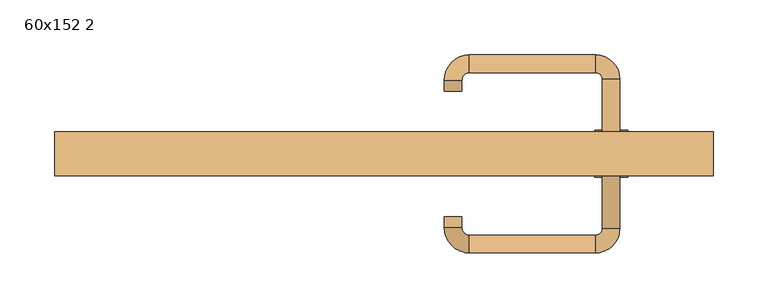
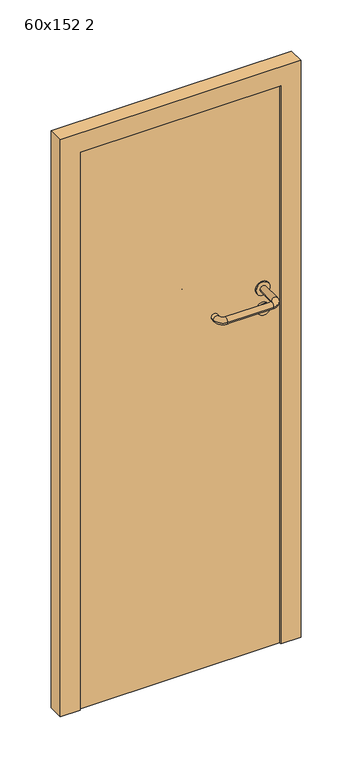
"""IFC4 building model written with IfcOpenShell, lengths in millimetres: door geometry, 60x152 2."""

from ifc_helpers import new_model, si_unit, point, frame, frame_2d, origin, origin_with_axes, place, context, project, spatial, polyline, circle_curve, ellipse_curve, trimmed, segment, composite_curve, outline, extrude, source, transform, mapped, element, save
from ifc_brep_helpers import plane_surface, cylinder_surface, revolved_surface, advanced_brep


def door_60x152_2_7feab1aa(model_context):
    return source(origin(), model_context, "Body", "SolidModel", [
        extrude(outline(composite_curve([segment(trimmed(circle_curve(frame_2d((897.3605726, 207.0)), 15.0), [point((897.3605726, 222.0))], [point((897.3605726, 192.0))], False, "CARTESIAN"), True, "CONTINUOUS"), segment(trimmed(circle_curve(frame_2d((897.3605726, 207.0)), 15.0), [point((897.3605726, 192.0))], [point((897.3605726, 222.0))], False, "CARTESIAN"), True, "CONTINUOUS")], self_intersect=False), holes=[composite_curve([segment(trimmed(circle_curve(frame_2d((892.5833211, 206.9398032)), 2.0), [point((892.5833211, 208.9398032))], [point((892.5833211, 204.9398032))], True, "CARTESIAN"), True, "CONTINUOUS"), segment(polyline([(892.5833211, 204.9398032), (902.5833211, 204.9398032)]), True, "CONTINUOUS"), segment(trimmed(circle_curve(frame_2d((902.5833211, 206.9398032)), 2.0), [point((902.5833211, 204.9398032))], [point((902.5833211, 208.9398032))], True, "CARTESIAN"), True, "CONTINUOUS"), segment(polyline([(902.5833211, 208.9398032), (892.5833211, 208.9398032)]), True, "CONTINUOUS")], self_intersect=False)]), frame((0.0, 18.65, 0.0), z_axis=(0.0, 1.0, 0.0), x_axis=(0.0, 0.0, 1.0)), (0.0, 0.0, 1.0), 6.35),
        extrude(outline(composite_curve([segment(trimmed(circle_curve(frame_2d((950.0, 207.0)), 17.526), [point((950.0, 224.526))], [point((950.0, 189.474))], False, "CARTESIAN"), True, "CONTINUOUS"), segment(trimmed(circle_curve(frame_2d((950.0, 207.0)), 17.526), [point((950.0, 189.474))], [point((950.0, 224.526))], False, "CARTESIAN"), True, "CONTINUOUS")], self_intersect=False)), frame((0.0, 21.825, 0.0), z_axis=(0.0, 1.0, 0.0), x_axis=(0.0, 0.0, 1.0)), (0.0, 0.0, 1.0), 3.175),
        advanced_brep(
        [(215.0, 25.0, 950.0), (199.0, 25.0, 950.0), (199.0, -28.0, 950.0), (215.0, -28.0, 950.0), (192.8578644, -34.1421356, 950.0), (192.8578644, -50.1421356, 950.0), (77.8578644, -34.1421356, 950.0), (77.8578644, -50.1421356, 950.0), (71.008622, -27.2928932, 950.0), (55.008622, -27.2928932, 950.0), (55.008622, -17.2928932, 950.0), (71.008622, -17.2928932, 950.0)],
        [
            (0, 1, circle_curve(frame((207.0, 25.0, 950.0), z_axis=(0.0, 1.0, 0.0), x_axis=(-1.0, 0.0, 0.0)), 8.0)),
            (1, 0, circle_curve(frame((207.0, 25.0, 950.0), z_axis=(0.0, 1.0, 0.0), x_axis=(-1.0, 0.0, 0.0)), 8.0)),
            (1, 2),
            (2, 3, circle_curve(frame((207.0, -28.0, 950.0), z_axis=(0.0, 1.0, 0.0), x_axis=(-1.0, 0.0, 0.0)), 8.0)),
            (3, 0),
            (3, 2, circle_curve(frame((207.0, -28.0, 950.0), z_axis=(0.0, 1.0, 0.0), x_axis=(-1.0, 0.0, 0.0)), 8.0)),
            (4, 5, circle_curve(frame((192.8578644, -42.1421356, 950.0), z_axis=(1.0, 0.0, 0.0), x_axis=(0.0, 1.0, 0.0)), 8.0)),
            (5, 3, circle_curve(frame((192.8578644, -28.0, 950.0), z_axis=(0.0, 0.0, 1.0), x_axis=(1.0, 0.0, 0.0)), 22.1421356)),
            (2, 4, circle_curve(frame((192.8578644, -28.0, 950.0), z_axis=(0.0, 0.0, -1.0), x_axis=(1.0, 0.0, 0.0)), 6.1421356)),
            (5, 4, circle_curve(frame((192.8578644, -42.1421356, 950.0), z_axis=(1.0, 0.0, 0.0), x_axis=(0.0, 1.0, 0.0)), 8.0)),
            (4, 6),
            (6, 7, circle_curve(frame((77.8578644, -42.1421356, 950.0), z_axis=(1.0, 0.0, 0.0), x_axis=(0.0, 1.0, 0.0)), 8.0)),
            (7, 5),
            (7, 6, circle_curve(frame((77.8578644, -42.1421356, 950.0), z_axis=(1.0, 0.0, 0.0), x_axis=(0.0, 1.0, 0.0)), 8.0)),
            (8, 9, circle_curve(frame((63.008622, -27.2928932, 950.0), z_axis=(0.0, -1.0, 0.0), x_axis=(1.0, 0.0, 0.0)), 8.0)),
            (9, 7, circle_curve(frame((77.8578644, -27.2928932, 950.0), z_axis=(0.0, 0.0, 1.0), x_axis=(0.0, -1.0, 0.0)), 22.8492424)),
            (6, 8, circle_curve(frame((77.8578644, -27.2928932, 950.0), z_axis=(0.0, 0.0, -1.0), x_axis=(0.0, -1.0, 0.0)), 6.8492424)),
            (9, 8, circle_curve(frame((63.008622, -27.2928932, 950.0), z_axis=(0.0, -1.0, 0.0), x_axis=(1.0, 0.0, 0.0)), 8.0)),
            (10, 11, circle_curve(frame((63.008622, -17.2928932, 950.0), z_axis=(0.0, 1.0, 0.0), x_axis=(1.0, 0.0, 0.0)), 8.0)),
            (11, 10, circle_curve(frame((63.008622, -17.2928932, 950.0), z_axis=(0.0, 1.0, 0.0), x_axis=(1.0, 0.0, 0.0)), 8.0)),
            (8, 11),
            (10, 9),
        ],
        [
            plane_surface(frame((207.0, 25.0, 0.0), z_axis=(0.0, 1.0, 0.0), x_axis=(0.0, 0.0, 1.0))),
            cylinder_surface(frame((207.0, 25.0, 950.0), z_axis=(0.0, 1.0, 0.0), x_axis=(-1.0, 0.0, 0.0)), 8.0),
            revolved_surface(trimmed(ellipse_curve(frame((207.0, -28.0, 950.0), z_axis=(0.0, -1.0, 0.0), x_axis=(-1.0, 0.0, 0.0)), 8.0, 8.0), [point((215.0, -28.0, 950.0))], [point((199.0, -28.0, 950.0))], True, "CARTESIAN"), (192.8578644, -28.0, 0.0), (0.0, 0.0, 1.0)),
            revolved_surface(trimmed(ellipse_curve(frame((207.0, -28.0, 950.0), z_axis=(0.0, -1.0, 0.0), x_axis=(-1.0, 0.0, 0.0)), 8.0, 8.0), [point((199.0, -28.0, 950.0))], [point((215.0, -28.0, 950.0))], True, "CARTESIAN"), (192.8578644, -28.0, 0.0), (0.0, 0.0, 1.0)),
            cylinder_surface(frame((192.8578644, -42.1421356, 950.0), z_axis=(1.0, 0.0, 0.0), x_axis=(0.0, 1.0, 0.0)), 8.0),
            revolved_surface(trimmed(ellipse_curve(frame((77.8578644, -42.1421356, 950.0), z_axis=(-1.0, 0.0, 0.0), x_axis=(0.0, 1.0, 0.0)), 8.0, 8.0), [point((77.8578644, -50.1421356, 950.0))], [point((77.8578644, -34.1421356, 950.0))], True, "CARTESIAN"), (77.8578644, -27.2928932, 0.0), (0.0, 0.0, 1.0)),
            revolved_surface(trimmed(ellipse_curve(frame((77.8578644, -42.1421356, 950.0), z_axis=(-1.0, 0.0, 0.0), x_axis=(0.0, 1.0, 0.0)), 8.0, 8.0), [point((77.8578644, -34.1421356, 950.0))], [point((77.8578644, -50.1421356, 950.0))], True, "CARTESIAN"), (77.8578644, -27.2928932, 0.0), (0.0, 0.0, 1.0)),
            plane_surface(frame((63.008622, -17.2928932, 0.0), z_axis=(0.0, 1.0, 0.0), x_axis=(0.0, 0.0, 1.0))),
            cylinder_surface(frame((63.008622, -27.2928932, 950.0), z_axis=(0.0, -1.0, 0.0), x_axis=(1.0, 0.0, 0.0)), 8.0),
        ],
        [
            (0, [[1, 2]]),
            (1, [[3, 4, 5, -2]]),
            (1, [[-5, 6, -3, -1]]),
            (2, [[7, 8, -4, 9]]),
            (3, [[10, -9, -6, -8]]),
            (4, [[11, 12, 13, -7]]),
            (4, [[-13, 14, -11, -10]]),
            (5, [[15, 16, -12, 17]]),
            (6, [[18, -17, -14, -16]]),
            (7, [[19, 20]]),
            (8, [[21, -19, 22, -15]]),
            (8, [[-22, -20, -21, -18]]),
        ],
    ),
        extrude(outline(composite_curve([segment(trimmed(circle_curve(frame_2d((0.0, -15.0)), 15.0), [point((0.0, -30.0))], [point((0.0, 0.0))], False, "CARTESIAN"), True, "CONTINUOUS"), segment(trimmed(circle_curve(frame_2d((0.0, -15.0)), 15.0), [point((0.0, 0.0))], [point((0.0, -30.0))], False, "CARTESIAN"), True, "CONTINUOUS")], self_intersect=False), holes=[composite_curve([segment(trimmed(circle_curve(frame_2d((4.7772515, -14.9398032)), 2.0), [point((4.7772515, -16.9398032))], [point((4.7772515, -12.9398032))], True, "CARTESIAN"), True, "CONTINUOUS"), segment(polyline([(4.7772515, -12.9398032), (-5.2227485, -12.9398032)]), True, "CONTINUOUS"), segment(trimmed(circle_curve(frame_2d((-5.2227485, -14.9398032)), 2.0), [point((-5.2227485, -12.9398032))], [point((-5.2227485, -16.9398032))], True, "CARTESIAN"), True, "CONTINUOUS"), segment(polyline([(-5.2227485, -16.9398032), (4.7772515, -16.9398032)]), True, "CONTINUOUS")], self_intersect=False)]), frame((192.0, 55.0, 897.3605726), z_axis=(1.8870575173328306e-12, 1.0, 0.0), x_axis=(0.0, 0.0, -1.0)), (0.0, 0.0, 1.0), 6.35),
        extrude(outline(composite_curve([segment(trimmed(circle_curve(frame_2d((0.0, -17.526)), 17.526), [point((0.0, -35.052))], [point((0.0, 0.0))], False, "CARTESIAN"), True, "CONTINUOUS"), segment(trimmed(circle_curve(frame_2d((0.0, -17.526)), 17.526), [point((0.0, 0.0))], [point((0.0, -35.052))], False, "CARTESIAN"), True, "CONTINUOUS")], self_intersect=False)), frame((189.474, 55.0, 950.0), z_axis=(1.8870575173328306e-12, 1.0, 0.0), x_axis=(0.0, 0.0, -1.0)), (0.0, 0.0, 1.0), 3.175),
        advanced_brep(
        [(215.0, 55.0, 950.0), (199.0, 55.0, 950.0), (215.0, 108.0, 950.0), (199.0, 108.0, 950.0), (192.8578644, 114.1421356, 950.0), (192.8578644, 130.1421356, 950.0), (77.8578644, 130.1421356, 950.0), (77.8578644, 114.1421356, 950.0), (71.008622, 107.2928932, 950.0), (55.008622, 107.2928932, 950.0), (55.008622, 97.2928932, 950.0), (71.008622, 97.2928932, 950.0)],
        [
            (0, 1, circle_curve(frame((207.0, 55.0, 950.0), z_axis=(-1.888672253512351e-12, -1.0, 0.0), x_axis=(-1.0, 1.888672253512351e-12, 0.0)), 8.0)),
            (1, 0, circle_curve(frame((207.0, 55.0, 950.0), z_axis=(-1.888672253512351e-12, -1.0, 0.0), x_axis=(-1.0, 1.888672253512351e-12, 0.0)), 8.0)),
            (0, 2),
            (2, 3, circle_curve(frame((207.0, 108.0, 950.0), z_axis=(-1.888672253512351e-12, -1.0, 0.0), x_axis=(-1.0, 1.888672253512351e-12, 0.0)), 8.0)),
            (3, 1),
            (3, 2, circle_curve(frame((207.0, 108.0, 950.0), z_axis=(-1.888672253512351e-12, -1.0, 0.0), x_axis=(-1.0, 1.888672253512351e-12, 0.0)), 8.0)),
            (4, 3, circle_curve(frame((192.8578644, 108.0, 950.0), z_axis=(0.0, 0.0, -1.0), x_axis=(1.0, -1.880717803715015e-12, 0.0)), 6.1421356)),
            (2, 5, circle_curve(frame((192.8578644, 108.0, 950.0), z_axis=(0.0, 0.0, 1.0), x_axis=(1.0, -1.880717803715015e-12, 0.0)), 22.1421356)),
            (5, 4, circle_curve(frame((192.8578644, 122.1421356, 950.0), z_axis=(1.0, -1.913702061528922e-12, 0.0), x_axis=(-1.913702061528922e-12, -1.0, 0.0)), 8.0)),
            (4, 5, circle_curve(frame((192.8578644, 122.1421356, 950.0), z_axis=(1.0, -1.913702061528922e-12, 0.0), x_axis=(-1.913702061528922e-12, -1.0, 0.0)), 8.0)),
            (5, 6),
            (6, 7, circle_curve(frame((77.8578644, 122.1421356, 950.0), z_axis=(1.0, -1.913719828541269e-12, 0.0), x_axis=(-1.913719828541269e-12, -1.0, 0.0)), 8.0)),
            (7, 4),
            (7, 6, circle_curve(frame((77.8578644, 122.1421356, 950.0), z_axis=(1.0, -1.913719828541269e-12, 0.0), x_axis=(-1.913719828541269e-12, -1.0, 0.0)), 8.0)),
            (8, 7, circle_curve(frame((77.8578644, 107.2928932, 950.0), z_axis=(0.0, 0.0, -1.0), x_axis=(1.9120873253494017e-12, 1.0, 0.0)), 6.8492424)),
            (6, 9, circle_curve(frame((77.8578644, 107.2928932, 950.0), z_axis=(0.0, 0.0, 1.0), x_axis=(1.9120873253494017e-12, 1.0, 0.0)), 22.8492424)),
            (9, 8, circle_curve(frame((63.008622, 107.2928932, 950.0), z_axis=(1.890448610351751e-12, 1.0, 0.0), x_axis=(1.0, -1.890448610351751e-12, 0.0)), 8.0)),
            (8, 9, circle_curve(frame((63.008622, 107.2928932, 950.0), z_axis=(1.8888942981172756e-12, 1.0, 0.0), x_axis=(1.0, -1.8888942981172756e-12, 0.0)), 8.0)),
            (10, 11, circle_curve(frame((63.008622, 97.2928932, 950.0), z_axis=(-1.8903642334018795e-12, -1.0, 0.0), x_axis=(1.0, -1.8903642334018795e-12, 0.0)), 8.0)),
            (11, 10, circle_curve(frame((63.008622, 97.2928932, 950.0), z_axis=(-1.8903642334018795e-12, -1.0, 0.0), x_axis=(1.0, -1.8903642334018795e-12, 0.0)), 8.0)),
            (9, 10),
            (11, 8),
        ],
        [
            plane_surface(frame((207.0, 55.0, 0.0), z_axis=(-1.8870575173328306e-12, -1.0, 0.0), x_axis=(0.0, 0.0, 1.0))),
            cylinder_surface(frame((207.0, 55.0, 950.0), z_axis=(-1.888672253512351e-12, -1.0, 0.0), x_axis=(-1.0, 1.888672253512351e-12, 0.0)), 8.0),
            revolved_surface(trimmed(ellipse_curve(frame((207.0, 108.0, 950.0), z_axis=(-1.8823325398945356e-12, -1.0, 0.0), x_axis=(-1.0, 1.8823325398945356e-12, 0.0)), 8.0, 8.0), [point((215.0, 108.0, 950.0))], [point((199.0, 108.0, 950.0))], True, "CARTESIAN"), (192.8578644, 108.0, 0.0), (0.0, 0.0, 1.0)),
            revolved_surface(trimmed(ellipse_curve(frame((207.0, 108.0, 950.0), z_axis=(-1.8823325398945356e-12, -1.0, 0.0), x_axis=(-1.0, 1.8823325398945356e-12, 0.0)), 8.0, 8.0), [point((199.0, 108.0, 950.0))], [point((215.0, 108.0, 950.0))], True, "CARTESIAN"), (192.8578644, 108.0, 0.0), (0.0, 0.0, 1.0)),
            cylinder_surface(frame((192.8578644, 122.1421356, 950.0), z_axis=(1.0, -1.913719828541269e-12, 0.0), x_axis=(-1.913719828541269e-12, -1.0, 0.0)), 8.0),
            revolved_surface(trimmed(ellipse_curve(frame((77.8578644, 122.1421356, 950.0), z_axis=(1.0, -1.913702061528922e-12, 0.0), x_axis=(-1.913702061528922e-12, -1.0, 0.0)), 8.0, 8.0), [point((77.8578644, 130.1421356, 950.0))], [point((77.8578644, 114.1421356, 950.0))], True, "CARTESIAN"), (77.8578644, 107.2928932, 0.0), (0.0, 0.0, 1.0)),
            revolved_surface(trimmed(ellipse_curve(frame((77.8578644, 122.1421356, 950.0), z_axis=(1.0, -1.913702061528922e-12, 0.0), x_axis=(-1.913702061528922e-12, -1.0, 0.0)), 8.0, 8.0), [point((77.8578644, 114.1421356, 950.0))], [point((77.8578644, 130.1421356, 950.0))], True, "CARTESIAN"), (77.8578644, 107.2928932, 0.0), (0.0, 0.0, 1.0)),
            plane_surface(frame((63.008622, 97.2928932, 0.0), z_axis=(-1.8887494972223595e-12, -1.0, 0.0), x_axis=(0.0, 0.0, 1.0))),
            cylinder_surface(frame((63.008622, 107.2928932, 950.0), z_axis=(1.8903642334018795e-12, 1.0, 0.0), x_axis=(1.0, -1.8903642334018795e-12, 0.0)), 8.0),
        ],
        [
            (0, [[1, 2]]),
            (1, [[-1, 3, 4, 5]]),
            (1, [[-2, -5, 6, -3]]),
            (2, [[7, -4, 8, 9]]),
            (3, [[-8, -6, -7, 10]]),
            (4, [[-9, 11, 12, 13]]),
            (4, [[-10, -13, 14, -11]]),
            (5, [[15, -12, 16, 17]]),
            (6, [[-16, -14, -15, 18]]),
            (7, [[19, 20]]),
            (8, [[-17, 21, -20, 22]]),
            (8, [[-18, -22, -19, -21]]),
        ],
    ),
        extrude(outline(polyline([(1470.0, 250.0), (0.0, 250.0), (0.0, 300.0), (1520.0, 300.0), (1520.0, -300.0), (0.0, -300.0), (0.0, -250.0), (1470.0, -250.0), (1470.0, 250.0)])), frame((0.0, 20.0, 0.0), z_axis=(0.0, 1.0, 0.0), x_axis=(0.0, 0.0, 1.0)), (0.0, 0.0, 1.0), 40.0),
        extrude(outline(polyline([(-250.0, 55.0), (250.0, 55.0), (250.0, 25.0), (-250.0, 25.0), (-250.0, 55.0)])), origin_with_axes(), (0.0, 0.0, 1.0), 1470.0),
    ])


if __name__ == "__main__":
    model = new_model("IFC4")
    model_context = context("Model", 3, world=origin())
    ifc_project = project(units=[si_unit("LENGTHUNIT", "METRE", prefix="MILLI")], contexts=[model_context])
    site = spatial("IfcSite", under=ifc_project)
    building = spatial("IfcBuilding", under=site)
    placement = place(None, origin())
    door_60x152_2_shape = door_60x152_2_7feab1aa(model_context)
    element("IfcDoor", 1, ObjectType="60x152 2", at=placement, inside=building, context=model_context, shape_type="MappedRepresentation", body=[
        mapped(door_60x152_2_shape, transform((0.0, 0.0, 0.0), x_axis=(1.0, 0.0, 0.0), y_axis=(0.0, 1.0, 0.0), z_axis=(0.0, 0.0, 1.0))),
    ])
    save(model, "model.ifc")
